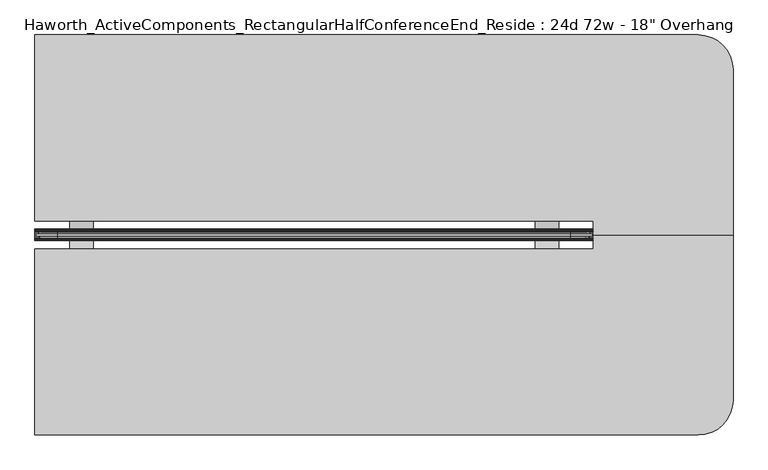
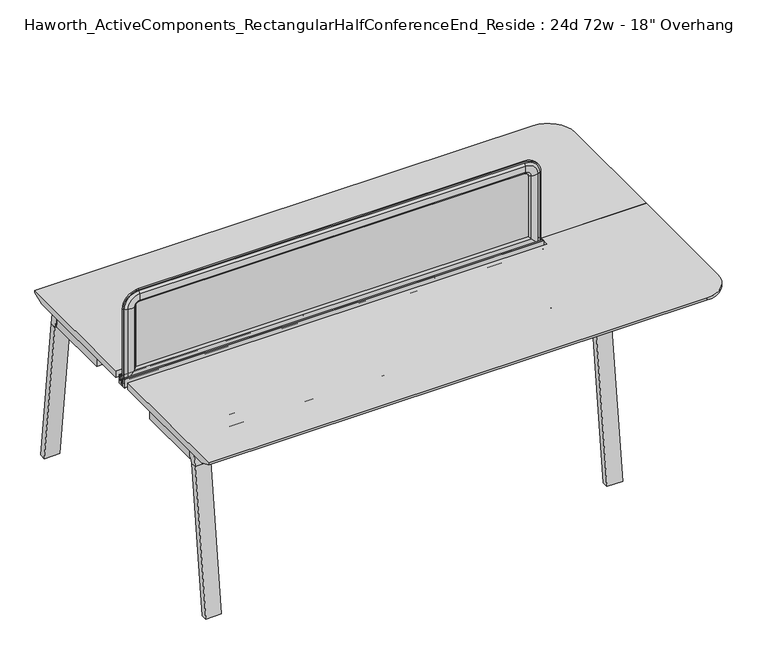
"""IFC4 building model written with IfcOpenShell, lengths in millimetres: furniture geometry."""

from ifc_helpers import new_model, si_unit, point, frame, frame_2d, origin, place, context, project, spatial, polyline, circle_curve, ellipse_curve, trimmed, segment, composite_curve, outline, extrude, source, transform, mapped, element, save
from ifc_brep_helpers import plane_surface, cylinder_surface, revolved_surface, advanced_brep


def furniture_1baf229c(model_context):
    return source(origin(), model_context, "Body", "SolidModel", [
        extrude(outline(polyline([(-102.8131637, 708.5329874), (-151.7557795, 708.5329874), (-179.9497776, 698.5000242), (-219.096734, 698.5000242), (-247.7511736, 708.5329874), (-296.6937894, 708.5329874), (-296.6937894, 711.1999758), (-247.2908229, 711.1999031), (-219.0967817, 701.1670126), (-180.4101714, 701.1670126), (-152.2161302, 711.1999031), (-102.8131637, 711.1999758), (-102.8131637, 708.5329874)])), frame((939.8, 0.0, 0.0), z_axis=(1.0, 0.0, 0.0), x_axis=(0.0, 1.0, 0.0)), (0.0, 0.0, 1.0), 76.2),
        extrude(outline(polyline([(-102.8131637, 708.5329874), (-151.7557795, 708.5329874), (-179.9497776, 698.5000242), (-219.096734, 698.5000242), (-247.7511736, 708.5329874), (-296.6937894, 708.5329874), (-296.6937894, 711.1999758), (-247.2908229, 711.1999031), (-219.0967817, 701.1670126), (-180.4101714, 701.1670126), (-152.2161302, 711.1999031), (-102.8131637, 711.1999758), (-102.8131637, 708.5329874)])), frame((-584.2, 0.0, 0.0), z_axis=(1.0, 0.0, 0.0), x_axis=(0.0, 1.0, 0.0)), (0.0, 0.0, 1.0), 76.2),
        extrude(outline(composite_curve([segment(polyline([(-208.7577768, 705.1294161), (-190.7491763, 705.1294161), (-190.7491763, 716.8133686), (-194.6734763, 716.8133686), (-194.6734763, 718.8200048), (-189.5045768, 718.8200048), (-189.5045768, 721.0551882), (-188.310777, 722.0711872), (-188.310777, 737.1334219), (-189.5045768, 738.1494209), (-189.5045768, 740.1051882), (-188.4578397, 740.9960276)]), True, "CONTINUOUS"), segment(trimmed(circle_curve(frame_2d((-188.0216309, 740.4834819)), 0.6730388), [point((-188.4578397, 740.9960276))], [point((-187.3580762, 740.5960712))], False, "CARTESIAN"), True, "CONTINUOUS"), segment(polyline([(-187.3580762, 740.5960712), (-186.2533763, 734.0854248), (-186.2533763, 721.131419), (-183.1037763, 721.131419), (-183.1037763, 725.1191843), (-182.3544761, 725.8812017), (-182.3544761, 740.3039756)]), True, "CONTINUOUS"), segment(trimmed(circle_curve(frame_2d((-181.5543762, 740.3039756)), 0.8000999), [point((-182.3544761, 740.3039756))], [point((-180.7542763, 740.3039756))], False, "CARTESIAN"), True, "CONTINUOUS"), segment(polyline([(-180.7542763, 740.3039756), (-180.7542763, 702.1830128)]), True, "CONTINUOUS"), segment(trimmed(circle_curve(frame_2d((-181.7702764, 702.1830128)), 1.0160002), [point((-180.7542763, 702.1830128))], [point((-181.7702764, 701.1670126))], False, "CARTESIAN"), True, "CONTINUOUS"), segment(polyline([(-181.7702764, 701.1670126), (-217.7366767, 701.1670126)]), True, "CONTINUOUS"), segment(trimmed(circle_curve(frame_2d((-217.7366767, 702.1830128)), 1.0160002), [point((-217.7366767, 701.1670126))], [point((-218.7526768, 702.1830128))], False, "CARTESIAN"), True, "CONTINUOUS"), segment(polyline([(-218.7526768, 702.1830128), (-218.7526768, 740.3039756)]), True, "CONTINUOUS"), segment(trimmed(circle_curve(frame_2d((-217.9525769, 740.3039756)), 0.8000999), [point((-218.7526768, 740.3039756))], [point((-217.152477, 740.3039756))], False, "CARTESIAN"), True, "CONTINUOUS"), segment(polyline([(-217.152477, 740.3039756), (-217.152477, 725.8812017), (-216.4031768, 725.1191843), (-216.4031768, 721.131419), (-213.2535769, 721.131419), (-213.2535769, 734.0854248), (-212.1488769, 740.5960712)]), True, "CONTINUOUS"), segment(trimmed(circle_curve(frame_2d((-211.4853222, 740.4834819)), 0.6730388), [point((-212.1488769, 740.5960712))], [point((-211.0491134, 740.9960276))], False, "CARTESIAN"), True, "CONTINUOUS"), segment(polyline([(-211.0491134, 740.9960276), (-210.0023763, 740.1051882), (-210.0023763, 738.1494209), (-211.1961761, 737.1334219), (-211.1961761, 722.0711872), (-210.0023763, 721.0551882), (-210.0023763, 718.8200048), (-204.8334768, 718.8200048), (-204.8334768, 716.8133686), (-208.7577768, 716.8133686), (-208.7577768, 705.1294161)]), True, "CONTINUOUS")], self_intersect=False)), frame((-698.5, 0.0, 0.0), z_axis=(1.0, 0.0, 0.0), x_axis=(0.0, 1.0, 0.0)), (0.0, 0.0, 1.0), 1828.8),
        extrude(outline(composite_curve([segment(polyline([(-743.2146375, 655.8564478), (-737.0116056, 706.4375), (-700.6097266, 706.4375), (-700.6097266, 676.1402033), (-701.8519435, 676.1402033)]), True, "CONTINUOUS"), segment(trimmed(circle_curve(frame_2d((-701.8519435, 663.4402033)), 12.7), [point((-701.8519435, 676.1402033))], [point((-714.4575067, 664.9860929))], True, "CARTESIAN"), True, "CONTINUOUS"), segment(polyline([(-714.4575067, 664.9860929), (-715.9866201, 652.5173267), (-743.2146375, 655.8564478)]), True, "CONTINUOUS")], self_intersect=False)), frame((-692.0507813, 0.0, 0.0), z_axis=(1.0, 0.0, 0.0), x_axis=(0.0, 1.0, 0.0)), (0.0, 0.0, 1.0), 67.6671875),
        extrude(outline(polyline([(-823.6459115, 0.0), (-743.2146375, 655.8564478), (-715.9866201, 652.5173267), (-796.0084097, 0.0), (-823.6459115, 0.0)])), frame((-692.0507813, 0.0, 0.0), z_axis=(1.0, 0.0, 0.0), x_axis=(0.0, 1.0, 0.0)), (0.0, 0.0, 1.0), 67.6671875),
        extrude(outline(composite_curve([segment(polyline([(-743.2146375, 655.8564478), (-737.0116056, 706.4375), (-700.6097266, 706.4375), (-700.6097266, 676.1402033), (-701.8519435, 676.1402033)]), True, "CONTINUOUS"), segment(trimmed(circle_curve(frame_2d((-701.8519435, 663.4402033)), 12.7), [point((-701.8519435, 676.1402033))], [point((-714.4575067, 664.9860929))], True, "CARTESIAN"), True, "CONTINUOUS"), segment(polyline([(-714.4575067, 664.9860929), (-715.9866201, 652.5173267), (-743.2146375, 655.8564478)]), True, "CONTINUOUS")], self_intersect=False)), frame((1056.1835937, 0.0, 0.0), z_axis=(1.0, 0.0, 0.0), x_axis=(0.0, 1.0, 0.0)), (0.0, 0.0, 1.0), 67.6671875),
        extrude(outline(polyline([(-823.6459115, 0.0), (-743.2146375, 655.8564478), (-715.9866201, 652.5173267), (-796.0084097, 0.0), (-823.6459115, 0.0)])), frame((1056.1835937, 0.0, 0.0), z_axis=(1.0, 0.0, 0.0), x_axis=(0.0, 1.0, 0.0)), (0.0, 0.0, 1.0), 67.6671875),
        extrude(outline(composite_curve([segment(polyline([(343.7076844, 655.8564478), (316.479667, 652.5173267), (314.9505536, 664.9860929)]), True, "CONTINUOUS"), segment(trimmed(circle_curve(frame_2d((302.3449903, 663.4402033)), 12.7), [point((314.9505536, 664.9860929))], [point((302.3449903, 676.1402033))], True, "CARTESIAN"), True, "CONTINUOUS"), segment(polyline([(302.3449903, 676.1402033), (301.1027734, 676.1402033), (301.1027734, 706.4375), (337.5046525, 706.4375), (343.7076844, 655.8564478)]), True, "CONTINUOUS")], self_intersect=False)), frame((-692.0507813, 0.0, 0.0), z_axis=(1.0, 0.0, 0.0), x_axis=(0.0, 1.0, 0.0)), (0.0, 0.0, 1.0), 67.6671875),
        extrude(outline(polyline([(424.1389584, 0.0), (396.5014565, 0.0), (316.479667, 652.5173267), (343.7076844, 655.8564478), (424.1389584, 0.0)])), frame((-692.0507813, 0.0, 0.0), z_axis=(1.0, 0.0, 0.0), x_axis=(0.0, 1.0, 0.0)), (0.0, 0.0, 1.0), 67.6671875),
        extrude(outline(composite_curve([segment(polyline([(343.7076844, 655.8564478), (316.479667, 652.5173267), (314.9505536, 664.9860929)]), True, "CONTINUOUS"), segment(trimmed(circle_curve(frame_2d((302.3449903, 663.4402033)), 12.7), [point((314.9505536, 664.9860929))], [point((302.3449903, 676.1402033))], True, "CARTESIAN"), True, "CONTINUOUS"), segment(polyline([(302.3449903, 676.1402033), (301.1027734, 676.1402033), (301.1027734, 706.4375), (337.5046525, 706.4375), (343.7076844, 655.8564478)]), True, "CONTINUOUS")], self_intersect=False)), frame((1056.1835937, 0.0, 0.0), z_axis=(1.0, 0.0, 0.0), x_axis=(0.0, 1.0, 0.0)), (0.0, 0.0, 1.0), 67.6671875),
        extrude(outline(polyline([(424.1389584, 0.0), (396.5014565, 0.0), (316.479667, 652.5173267), (343.7076844, 655.8564478), (424.1389584, 0.0)])), frame((1056.1835937, 0.0, 0.0), z_axis=(1.0, 0.0, 0.0), x_axis=(0.0, 1.0, 0.0)), (0.0, 0.0, 1.0), 67.6671875),
        extrude(outline(polyline([(-552.057052, 79.6809981), (-624.701052, 8.5658214), (-624.701052, 1.1605256), (-692.2109398, 1.1605256), (-692.2109398, 301.0075213), (-624.701052, 301.0075213), (-624.701052, 293.6022255), (-552.057052, 222.4870488), (-552.057052, 79.6809981)])), frame((0.0, 0.0, 665.95625), z_axis=(0.0, 0.0, 1.0), x_axis=(1.0, 0.0, 0.0)), (0.0, 0.0, 1.0), 45.24375),
        extrude(outline(polyline([(983.857052, 79.6809981), (983.857052, 222.4870488), (1056.501052, 293.6022255), (1056.501052, 301.0075213), (1124.0109398, 301.0075213), (1124.0109398, 1.1605256), (1056.501052, 1.1605256), (1056.501052, 8.5658214), (983.857052, 79.6809981)])), frame((0.0, 0.0, 665.95625), z_axis=(0.0, 0.0, 1.0), x_axis=(1.0, 0.0, 0.0)), (0.0, 0.0, 1.0), 45.24375),
        extrude(outline(composite_curve([segment(trimmed(circle_curve(frame_2d((169.3402734, 673.1634651)), 1.5875), [point((169.3402734, 671.5759651))], [point((167.7527734, 673.1634651))], False, "CARTESIAN"), True, "CONTINUOUS"), segment(polyline([(167.7527734, 673.1634651), (167.7527734, 705.040468)]), True, "CONTINUOUS"), segment(trimmed(circle_curve(frame_2d((169.3402734, 705.040468)), 1.5875), [point((167.7527734, 705.040468))], [point((169.3402734, 706.627968))], False, "CARTESIAN"), True, "CONTINUOUS"), segment(polyline([(169.3402734, 706.627968), (201.2172764, 706.627968)]), True, "CONTINUOUS"), segment(trimmed(circle_curve(frame_2d((201.2172764, 705.040468)), 1.5875), [point((201.2172764, 706.627968))], [point((202.8047764, 705.040468))], False, "CARTESIAN"), True, "CONTINUOUS"), segment(polyline([(202.8047764, 705.040468), (202.8047764, 673.1634651)]), True, "CONTINUOUS"), segment(trimmed(circle_curve(frame_2d((201.2172764, 673.1634651)), 1.5875), [point((202.8047764, 673.1634651))], [point((201.2172764, 671.5759651))], False, "CARTESIAN"), True, "CONTINUOUS"), segment(polyline([(201.2172764, 671.5759651), (169.3402734, 671.5759651)]), True, "CONTINUOUS")], self_intersect=False)), frame((-552.0569067, 0.0, 0.0), z_axis=(1.0, 0.0, 0.0), x_axis=(0.0, 1.0, 0.0)), (0.0, 0.0, 1.0), 1535.9138134),
        extrude(outline(composite_curve([segment(polyline([(132.8277734, 671.5759651), (100.9507705, 671.5759651)]), True, "CONTINUOUS"), segment(trimmed(circle_curve(frame_2d((100.9507705, 673.1634651)), 1.5875), [point((100.9507705, 671.5759651))], [point((99.3632705, 673.1634651))], False, "CARTESIAN"), True, "CONTINUOUS"), segment(polyline([(99.3632705, 673.1634651), (99.3632705, 705.040468)]), True, "CONTINUOUS"), segment(trimmed(circle_curve(frame_2d((100.9507705, 705.040468)), 1.5875), [point((99.3632705, 705.040468))], [point((100.9507705, 706.627968))], False, "CARTESIAN"), True, "CONTINUOUS"), segment(polyline([(100.9507705, 706.627968), (132.8277734, 706.627968)]), True, "CONTINUOUS"), segment(trimmed(circle_curve(frame_2d((132.8277734, 705.040468)), 1.5875), [point((132.8277734, 706.627968))], [point((134.4152734, 705.040468))], False, "CARTESIAN"), True, "CONTINUOUS"), segment(polyline([(134.4152734, 705.040468), (134.4152734, 673.1634651)]), True, "CONTINUOUS"), segment(trimmed(circle_curve(frame_2d((132.8277734, 673.1634651)), 1.5875), [point((134.4152734, 673.1634651))], [point((132.8277734, 671.5759651))], False, "CARTESIAN"), True, "CONTINUOUS")], self_intersect=False)), frame((-552.0569067, 0.0, 0.0), z_axis=(1.0, 0.0, 0.0), x_axis=(0.0, 1.0, 0.0)), (0.0, 0.0, 1.0), 1535.9138134),
        advanced_brep(
        [(1130.3, -153.7159766, 741.3625), (1130.3, -199.7534766, 741.3625), (1587.5, -199.7534766, 741.3625), (1587.5, 341.5840234, 741.3625), (1473.2, 455.8840234, 741.3625), (-698.5, 455.8840234, 741.3625), (-698.5, -153.7159766, 741.3625), (1130.3, -153.7159766, 711.2), (-698.5, -153.7159766, 711.2), (-698.5, 405.0840234, 711.2), (1473.2, 405.0840234, 711.2), (1536.7, 341.5840234, 711.2), (1536.7, -199.7534766, 711.2), (1130.3, -199.7534766, 711.2), (-698.5, 455.8840234, 731.8375), (1473.2, 455.8840234, 731.8375), (1587.5, -199.7534766, 731.8375), (1587.5, 341.5840234, 731.8375)],
        [
            (0, 1),
            (1, 2),
            (2, 3),
            (3, 4, circle_curve(frame((1473.2, 341.5840234, 741.3625), z_axis=(0.0, 0.0, 1.0), x_axis=(1.0, 0.0, 0.0)), 114.3)),
            (4, 5),
            (5, 6),
            (6, 0),
            (7, 8),
            (8, 9),
            (9, 10),
            (10, 11, circle_curve(frame((1473.2, 341.5840234, 711.2), z_axis=(0.0, 0.0, -1.0), x_axis=(0.0, 1.0, 0.0)), 63.5)),
            (11, 12),
            (12, 13),
            (13, 7),
            (6, 8),
            (7, 0),
            (5, 14),
            (14, 9),
            (4, 15),
            (15, 14),
            (2, 16),
            (16, 17),
            (17, 3),
            (17, 15, circle_curve(frame((1473.2, 341.5840234, 731.8375), z_axis=(0.0, 0.0, 1.0), x_axis=(1.0, 0.0, 0.0)), 114.3)),
            (1, 13),
            (12, 16),
            (15, 10),
            (17, 11),
        ],
        [
            plane_surface(frame((-698.5, -153.7159766, 741.3625), z_axis=(0.0, 0.0, 1.0), x_axis=(-1.0, 0.0, 0.0))),
            plane_surface(frame((-698.5, -153.7159766, 711.2), z_axis=(0.0, 0.0, -1.0), x_axis=(1.0, 0.0, 0.0))),
            plane_surface(frame((1130.3, -153.7159766, 741.3625), z_axis=(0.0, -1.0, 0.0), x_axis=(0.0, 0.0, -1.0))),
            plane_surface(frame((-698.5, -153.7159766, 741.3625), z_axis=(-1.0, 0.0, 0.0), x_axis=(0.0, 0.0, -1.0))),
            plane_surface(frame((-698.5, 455.8840234, 741.3625), z_axis=(0.0, 1.0, 0.0), x_axis=(0.0, 0.0, -1.0))),
            plane_surface(frame((1587.5, 341.5840234, 741.3625), z_axis=(1.0, 0.0, 0.0), x_axis=(0.0, 0.0, -1.0))),
            cylinder_surface(frame((1473.2, 341.5840234, 711.2), z_axis=(0.0, 0.0, 1.0), x_axis=(1.0, 0.0, 0.0)), 114.3),
            plane_surface(frame((1587.5, -199.7534766, 741.3625), z_axis=(0.0, -1.0, 0.0), x_axis=(0.0, 0.0, -1.0))),
            plane_surface(frame((1130.3, -199.7534766, 741.3625), z_axis=(-1.0, 0.0, 0.0), x_axis=(0.0, 0.0, -1.0))),
            plane_surface(frame((-698.5, 455.8840234, 731.8375), z_axis=(0.0, 0.376377046957703, -0.9264665771215921), x_axis=(1.0, 0.0, 0.0))),
            revolved_surface(polyline([(1473.2, 405.0840234, 711.2), (1473.2, 455.8840234, 731.8375)]), (1473.2, 341.5840234, 0.0), (0.0, 0.0, 1.0)),
            plane_surface(frame((1587.5, 341.5840234, 731.8375), z_axis=(0.376377046957703, 0.0, -0.9264665771215921), x_axis=(0.0, -1.0, 0.0))),
        ],
        [
            (0, [[1, 2, 3, 4, 5, 6, 7]]),
            (1, [[8, 9, 10, 11, 12, 13, 14]]),
            (2, [[15, -8, 16, -7]]),
            (3, [[17, 18, -9, -15, -6]]),
            (4, [[19, 20, -17, -5]]),
            (5, [[21, 22, 23, -3]]),
            (6, [[-23, 24, -19, -4]]),
            (7, [[25, -13, 26, -21, -2]]),
            (8, [[-16, -14, -25, -1]]),
            (9, [[-10, -18, -20, 27]]),
            (10, [[-24, 28, -11, -27]]),
            (11, [[-22, -26, -12, -28]]),
        ],
    ),
        advanced_brep(
        [(-694.5096882, -202.9284766, 1050.2564604), (-694.5096882, -196.5784766, 1050.2564604), (-694.5096882, -196.5784766, 715.4852418), (-694.5096882, -202.9284766, 715.4852418), (-678.9815318, -209.5746374, 1050.2564604), (-688.6365135, -202.9284766, 1050.2564604), (-688.6365135, -202.9284766, 721.3584165), (-678.9815318, -209.5746374, 731.0133982), (-650.0002339, -209.0412011, 1050.2564604), (-650.0002339, -209.0412011, 759.994696), (-640.207009, -202.9284766, 1050.2564604), (-640.207009, -202.9284766, 769.787921), (-640.207009, -196.5784766, 1050.2564604), (-640.207009, -196.5784766, 769.787921), (-650.0002339, -190.465752, 1050.2564604), (-650.0002339, -190.465752, 759.994696), (-678.9815318, -189.9323157, 1050.2564604), (-678.9815318, -189.9323157, 731.0133982), (-688.6365135, -196.5784766, 1050.2564604), (-688.6365135, -196.5784766, 721.3584165), (1126.3096859, -196.5784766, 715.4852418), (1126.3096859, -202.9284766, 715.4852418), (1120.4365112, -202.9284766, 721.3584165), (1110.7815295, -209.5746374, 731.0133982), (1081.8002317, -209.0412011, 759.994696), (1072.0070068, -202.9284766, 769.787921), (1072.0070068, -196.5784766, 769.787921), (1081.8002317, -190.465752, 759.994696), (1110.7815295, -189.9323157, 731.0133982), (1120.4365112, -196.5784766, 721.3584165), (1126.3096859, -196.5784766, 1050.2564604), (1126.3096859, -202.9284766, 1050.2564604), (1120.4365112, -202.9284766, 1050.2564604), (1110.7815295, -209.5746374, 1050.2564604), (1081.8002317, -209.0412011, 1050.2564604), (1072.0070068, -202.9284766, 1050.2564604), (1072.0070068, -196.5784766, 1050.2564604), (1081.8002317, -190.465752, 1050.2564604), (1110.7815295, -189.9323157, 1050.2564604), (1120.4365112, -196.5784766, 1050.2564604), (1056.1320068, -202.9284766, 1120.4341395), (1056.1320068, -196.5784766, 1120.4341395), (1056.1320068, -209.5746374, 1104.9059832), (1056.1320068, -202.9284766, 1114.5609648), (1056.1320068, -209.0412011, 1075.9246853), (1056.1320068, -202.9284766, 1066.1314604), (1056.1320068, -196.5784766, 1066.1314604), (1056.1320068, -190.465752, 1075.9246853), (1056.1320068, -189.9323157, 1104.9059832), (1056.1320068, -196.5784766, 1114.5609648), (-624.332009, -196.5784766, 1120.4341395), (-624.332009, -202.9284766, 1120.4341395), (-624.332009, -202.9284766, 1114.5609648), (-624.332009, -209.5746374, 1104.9059832), (-624.332009, -209.0412011, 1075.9246853), (-624.332009, -202.9284766, 1066.1314604), (-624.332009, -196.5784766, 1066.1314604), (-624.332009, -190.465752, 1075.9246853), (-624.332009, -189.9323157, 1104.9059832), (-624.332009, -196.5784766, 1114.5609648)],
        [
            (0, 1),
            (1, 2),
            (2, 3),
            (3, 0),
            (4, 5, circle_curve(frame((-674.7864346, -193.1443023, 1050.2564604), z_axis=(0.0, 0.0, -1.0), x_axis=(0.0, -1.0, 0.0)), 16.9574394)),
            (5, 6),
            (6, 7, ellipse_curve(frame((-674.7864346, -193.1443023, 735.2084954), z_axis=(-0.707106781186545, 0.0, 0.7071067811865499), x_axis=(0.7071067811865498, 0.0, 0.7071067811865452)), 23.9814408, 16.9574394)),
            (7, 4),
            (8, 4, circle_curve(frame((-665.4606786, -156.619453, 1050.2564604), z_axis=(0.0, 0.0, -1.0), x_axis=(0.0, -1.0, 0.0)), 54.6540486)),
            (7, 9, ellipse_curve(frame((-665.4606786, -156.619453, 744.5342514), z_axis=(-0.707106781186545, 0.0, 0.7071067811865499), x_axis=(0.7071067811865498, 0.0, 0.7071067811865452)), 77.2924967, 54.6540486)),
            (9, 8),
            (10, 8, circle_curve(frame((-656.0950958, -188.375346, 1050.2564604), z_axis=(0.0, 0.0, -1.0), x_axis=(0.0, -1.0, 0.0)), 21.5458792)),
            (9, 11, ellipse_curve(frame((-656.0950958, -188.375346, 753.8998342), z_axis=(-0.707106781186545, 0.0, 0.7071067811865499), x_axis=(0.7071067811865498, 0.0, 0.7071067811865452)), 30.4704745, 21.5458792)),
            (11, 10),
            (12, 10),
            (11, 13),
            (13, 12),
            (14, 12, circle_curve(frame((-656.0950958, -211.1316071, 1050.2564604), z_axis=(0.0, 0.0, -1.0), x_axis=(0.0, -1.0, 0.0)), 21.5458792)),
            (13, 15, ellipse_curve(frame((-656.0950958, -211.1316071, 753.8998342), z_axis=(-0.707106781186545, 0.0, 0.7071067811865499), x_axis=(0.7071067811865498, 0.0, 0.7071067811865452)), 30.4704745, 21.5458792)),
            (15, 14),
            (16, 14, circle_curve(frame((-665.4606786, -242.8875001, 1050.2564604), z_axis=(0.0, 0.0, -1.0), x_axis=(0.0, -1.0, 0.0)), 54.6540486)),
            (15, 17, ellipse_curve(frame((-665.4606786, -242.8875001, 744.5342514), z_axis=(-0.707106781186545, 0.0, 0.7071067811865499), x_axis=(0.7071067811865498, 0.0, 0.7071067811865452)), 77.2924967, 54.6540486)),
            (17, 16),
            (18, 16, circle_curve(frame((-674.7864346, -206.3626508, 1050.2564604), z_axis=(0.0, 0.0, -1.0), x_axis=(0.0, -1.0, 0.0)), 16.9574394)),
            (17, 19, ellipse_curve(frame((-674.7864346, -206.3626508, 735.2084954), z_axis=(-0.707106781186545, 0.0, 0.7071067811865499), x_axis=(0.7071067811865498, 0.0, 0.7071067811865452)), 23.9814408, 16.9574394)),
            (19, 18),
            (2, 20),
            (20, 21),
            (21, 3),
            (6, 22),
            (22, 23, ellipse_curve(frame((1106.5864323, -193.1443023, 735.2084954), z_axis=(-0.70710678118655, 0.0, -0.7071067811865451), x_axis=(-0.7071067811865449, 0.0, 0.7071067811865501)), 23.9814408, 16.9574394)),
            (23, 7),
            (23, 24, ellipse_curve(frame((1097.2606764, -156.619453, 744.5342514), z_axis=(-0.70710678118655, 0.0, -0.7071067811865451), x_axis=(-0.7071067811865449, 0.0, 0.7071067811865501)), 77.2924967, 54.6540486)),
            (24, 9),
            (24, 25, ellipse_curve(frame((1087.8950935, -188.375346, 753.8998342), z_axis=(-0.70710678118655, 0.0, -0.7071067811865451), x_axis=(-0.7071067811865449, 0.0, 0.7071067811865501)), 30.4704745, 21.5458792)),
            (25, 11),
            (25, 26),
            (26, 13),
            (26, 27, ellipse_curve(frame((1087.8950935, -211.1316071, 753.8998342), z_axis=(-0.70710678118655, 0.0, -0.7071067811865451), x_axis=(-0.7071067811865449, 0.0, 0.7071067811865501)), 30.4704745, 21.5458792)),
            (27, 15),
            (27, 28, ellipse_curve(frame((1097.2606764, -242.8875001, 744.5342514), z_axis=(-0.70710678118655, 0.0, -0.7071067811865451), x_axis=(-0.7071067811865449, 0.0, 0.7071067811865501)), 77.2924967, 54.6540486)),
            (28, 17),
            (28, 29, ellipse_curve(frame((1106.5864323, -206.3626508, 735.2084954), z_axis=(-0.70710678118655, 0.0, -0.7071067811865451), x_axis=(-0.7071067811865449, 0.0, 0.7071067811865501)), 23.9814408, 16.9574394)),
            (29, 19),
            (20, 30),
            (30, 31),
            (31, 21),
            (22, 32),
            (32, 33, circle_curve(frame((1106.5864323, -193.1443023, 1050.2564604), z_axis=(0.0, 0.0, -1.0), x_axis=(0.0, -1.0, 0.0)), 16.9574394)),
            (33, 23),
            (33, 34, circle_curve(frame((1097.2606764, -156.619453, 1050.2564604), z_axis=(0.0, 0.0, -1.0), x_axis=(0.0, -1.0, 0.0)), 54.6540486)),
            (34, 24),
            (34, 35, circle_curve(frame((1087.8950935, -188.375346, 1050.2564604), z_axis=(0.0, 0.0, -1.0), x_axis=(0.0, -1.0, 0.0)), 21.5458792)),
            (35, 25),
            (35, 36),
            (36, 26),
            (36, 37, circle_curve(frame((1087.8950935, -211.1316071, 1050.2564604), z_axis=(0.0, 0.0, -1.0), x_axis=(0.0, -1.0, 0.0)), 21.5458792)),
            (37, 27),
            (37, 38, circle_curve(frame((1097.2606764, -242.8875001, 1050.2564604), z_axis=(0.0, 0.0, -1.0), x_axis=(0.0, -1.0, 0.0)), 54.6540486)),
            (38, 28),
            (38, 39, circle_curve(frame((1106.5864323, -206.3626508, 1050.2564604), z_axis=(0.0, 0.0, -1.0), x_axis=(0.0, -1.0, 0.0)), 16.9574394)),
            (39, 29),
            (40, 31, circle_curve(frame((1056.1320068, -202.9284766, 1050.2564604), z_axis=(0.0, 1.0, 0.0), x_axis=(1.0, 0.0, 0.0)), 70.1776791)),
            (30, 41, circle_curve(frame((1056.1320068, -196.5784766, 1050.2564604), z_axis=(0.0, -1.0, 0.0), x_axis=(1.0, 0.0, 0.0)), 70.1776791)),
            (41, 40),
            (42, 33, circle_curve(frame((1056.1320068, -209.5746374, 1050.2564604), z_axis=(0.0, 1.0, 0.0), x_axis=(1.0, 0.0, 0.0)), 54.6495228)),
            (32, 43, circle_curve(frame((1056.1320068, -202.9284766, 1050.2564604), z_axis=(0.0, -1.0, 0.0), x_axis=(1.0, 0.0, 0.0)), 64.3045045)),
            (43, 42, circle_curve(frame((1056.1320068, -193.1443023, 1100.7108859), z_axis=(1.0, 0.0, 0.0), x_axis=(0.0, -1.0, 0.0)), 16.9574394)),
            (44, 34, circle_curve(frame((1056.1320068, -209.0412011, 1050.2564604), z_axis=(0.0, 1.0, 0.0), x_axis=(1.0, 0.0, 0.0)), 25.6682249)),
            (42, 44, circle_curve(frame((1056.1320068, -156.619453, 1091.38513), z_axis=(1.0, 0.0, 0.0), x_axis=(0.0, -1.0, 0.0)), 54.6540486)),
            (45, 35, circle_curve(frame((1056.1320068, -202.9284766, 1050.2564604), z_axis=(0.0, 1.0, 0.0), x_axis=(1.0, 0.0, 0.0)), 15.875)),
            (44, 45, circle_curve(frame((1056.1320068, -188.375346, 1082.0195471), z_axis=(1.0, 0.0, 0.0), x_axis=(0.0, -1.0, 0.0)), 21.5458792)),
            (46, 36, circle_curve(frame((1056.1320068, -196.5784766, 1050.2564604), z_axis=(0.0, 1.0, 0.0), x_axis=(1.0, 0.0, 0.0)), 15.875)),
            (45, 46),
            (47, 37, circle_curve(frame((1056.1320068, -190.465752, 1050.2564604), z_axis=(0.0, 1.0, 0.0), x_axis=(1.0, 0.0, 0.0)), 25.6682249)),
            (46, 47, circle_curve(frame((1056.1320068, -211.1316071, 1082.0195471), z_axis=(1.0, 0.0, 0.0), x_axis=(0.0, -1.0, 0.0)), 21.5458792)),
            (48, 38, circle_curve(frame((1056.1320068, -189.9323157, 1050.2564604), z_axis=(0.0, 1.0, 0.0), x_axis=(1.0, 0.0, 0.0)), 54.6495228)),
            (47, 48, circle_curve(frame((1056.1320068, -242.8875001, 1091.38513), z_axis=(1.0, 0.0, 0.0), x_axis=(0.0, -1.0, 0.0)), 54.6540486)),
            (49, 39, circle_curve(frame((1056.1320068, -196.5784766, 1050.2564604), z_axis=(0.0, 1.0, 0.0), x_axis=(1.0, 0.0, 0.0)), 64.3045045)),
            (48, 49, circle_curve(frame((1056.1320068, -206.3626508, 1100.7108859), z_axis=(1.0, 0.0, 0.0), x_axis=(0.0, -1.0, 0.0)), 16.9574394)),
            (41, 50),
            (50, 51),
            (51, 40),
            (43, 52),
            (52, 53, circle_curve(frame((-624.332009, -193.1443023, 1100.7108859), z_axis=(1.0, 0.0, 0.0), x_axis=(0.0, -1.0, 0.0)), 16.9574394)),
            (53, 42),
            (53, 54, circle_curve(frame((-624.332009, -156.619453, 1091.38513), z_axis=(1.0, 0.0, 0.0), x_axis=(0.0, -1.0, 0.0)), 54.6540486)),
            (54, 44),
            (54, 55, circle_curve(frame((-624.332009, -188.375346, 1082.0195471), z_axis=(1.0, 0.0, 0.0), x_axis=(0.0, -1.0, 0.0)), 21.5458792)),
            (55, 45),
            (55, 56),
            (56, 46),
            (56, 57, circle_curve(frame((-624.332009, -211.1316071, 1082.0195471), z_axis=(1.0, 0.0, 0.0), x_axis=(0.0, -1.0, 0.0)), 21.5458792)),
            (57, 47),
            (57, 58, circle_curve(frame((-624.332009, -242.8875001, 1091.38513), z_axis=(1.0, 0.0, 0.0), x_axis=(0.0, -1.0, 0.0)), 54.6540486)),
            (58, 48),
            (58, 59, circle_curve(frame((-624.332009, -206.3626508, 1100.7108859), z_axis=(1.0, 0.0, 0.0), x_axis=(0.0, -1.0, 0.0)), 16.9574394)),
            (59, 49),
            (0, 51, circle_curve(frame((-624.332009, -202.9284766, 1050.2564604), z_axis=(0.0, 1.0, 0.0), x_axis=(0.0, 0.0, 1.0)), 70.1776791)),
            (50, 1, circle_curve(frame((-624.332009, -196.5784766, 1050.2564604), z_axis=(0.0, -1.0, 0.0), x_axis=(0.0, 0.0, 1.0)), 70.1776791)),
            (5, 52, circle_curve(frame((-624.332009, -202.9284766, 1050.2564604), z_axis=(0.0, 1.0, 0.0), x_axis=(0.0, 0.0, 1.0)), 64.3045045)),
            (4, 53, circle_curve(frame((-624.332009, -209.5746374, 1050.2564604), z_axis=(0.0, 1.0, 0.0), x_axis=(0.0, 0.0, 1.0)), 54.6495228)),
            (8, 54, circle_curve(frame((-624.332009, -209.0412011, 1050.2564604), z_axis=(0.0, 1.0, 0.0), x_axis=(0.0, 0.0, 1.0)), 25.6682249)),
            (10, 55, circle_curve(frame((-624.332009, -202.9284766, 1050.2564604), z_axis=(0.0, 1.0, 0.0), x_axis=(0.0, 0.0, 1.0)), 15.875)),
            (12, 56, circle_curve(frame((-624.332009, -196.5784766, 1050.2564604), z_axis=(0.0, 1.0, 0.0), x_axis=(0.0, 0.0, 1.0)), 15.875)),
            (14, 57, circle_curve(frame((-624.332009, -190.465752, 1050.2564604), z_axis=(0.0, 1.0, 0.0), x_axis=(0.0, 0.0, 1.0)), 25.6682249)),
            (16, 58, circle_curve(frame((-624.332009, -189.9323157, 1050.2564604), z_axis=(0.0, 1.0, 0.0), x_axis=(0.0, 0.0, 1.0)), 54.6495228)),
            (18, 59, circle_curve(frame((-624.332009, -196.5784766, 1050.2564604), z_axis=(0.0, 1.0, 0.0), x_axis=(0.0, 0.0, 1.0)), 64.3045045)),
        ],
        [
            plane_surface(frame((-694.5096882, -196.5784766, 1050.2564604), z_axis=(-1.0, 0.0, 0.0), x_axis=(0.0, 0.0, -1.0))),
            cylinder_surface(frame((-674.7864346, -193.1443023, 1050.2564604), z_axis=(0.0, 0.0, 1.0), x_axis=(0.0, -1.0, 0.0)), 16.9574394),
            cylinder_surface(frame((-665.4606786, -156.619453, 1050.2564604), z_axis=(0.0, 0.0, 1.0), x_axis=(0.0, -1.0, 0.0)), 54.6540486),
            cylinder_surface(frame((-656.0950958, -188.375346, 1050.2564604), z_axis=(0.0, 0.0, 1.0), x_axis=(0.0, -1.0, 0.0)), 21.5458792),
            plane_surface(frame((-640.207009, -202.9284766, 1050.2564604), z_axis=(1.0, 0.0, 0.0), x_axis=(0.0, 0.0, -1.0))),
            cylinder_surface(frame((-656.0950958, -211.1316071, 1050.2564604), z_axis=(0.0, 0.0, 1.0), x_axis=(0.0, -1.0, 0.0)), 21.5458792),
            cylinder_surface(frame((-665.4606786, -242.8875001, 1050.2564604), z_axis=(0.0, 0.0, 1.0), x_axis=(0.0, -1.0, 0.0)), 54.6540486),
            cylinder_surface(frame((-674.7864346, -206.3626508, 1050.2564604), z_axis=(0.0, 0.0, 1.0), x_axis=(0.0, -1.0, 0.0)), 16.9574394),
            plane_surface(frame((-694.5096882, -196.5784766, 715.4852418), z_axis=(0.0, 0.0, -1.0), x_axis=(1.0, 0.0, 0.0))),
            cylinder_surface(frame((-640.207009, -193.1443023, 735.2084954), z_axis=(-1.0, 0.0, 0.0), x_axis=(0.0, -1.0, 0.0)), 16.9574394),
            cylinder_surface(frame((-640.207009, -156.619453, 744.5342514), z_axis=(-1.0, 0.0, 0.0), x_axis=(0.0, -1.0, 0.0)), 54.6540486),
            cylinder_surface(frame((-640.207009, -188.375346, 753.8998342), z_axis=(-1.0, 0.0, 0.0), x_axis=(0.0, -1.0, 0.0)), 21.5458792),
            plane_surface(frame((-640.207009, -202.9284766, 769.787921), z_axis=(0.0, 0.0, 1.0), x_axis=(1.0, 0.0, 0.0))),
            cylinder_surface(frame((-640.207009, -211.1316071, 753.8998342), z_axis=(-1.0, 0.0, 0.0), x_axis=(0.0, -1.0, 0.0)), 21.5458792),
            cylinder_surface(frame((-640.207009, -242.8875001, 744.5342514), z_axis=(-1.0, 0.0, 0.0), x_axis=(0.0, -1.0, 0.0)), 54.6540486),
            cylinder_surface(frame((-640.207009, -206.3626508, 735.2084954), z_axis=(-1.0, 0.0, 0.0), x_axis=(0.0, -1.0, 0.0)), 16.9574394),
            plane_surface(frame((1126.3096859, -196.5784766, 715.4852418), z_axis=(1.0, 0.0, 0.0), x_axis=(0.0, 0.0, 1.0))),
            cylinder_surface(frame((1106.5864323, -193.1443023, 769.787921), z_axis=(0.0, 0.0, -1.0), x_axis=(0.0, -1.0, 0.0)), 16.9574394),
            cylinder_surface(frame((1097.2606764, -156.619453, 769.787921), z_axis=(0.0, 0.0, -1.0), x_axis=(0.0, -1.0, 0.0)), 54.6540486),
            cylinder_surface(frame((1087.8950935, -188.375346, 769.787921), z_axis=(0.0, 0.0, -1.0), x_axis=(0.0, -1.0, 0.0)), 21.5458792),
            plane_surface(frame((1072.0070068, -202.9284766, 769.787921), z_axis=(-1.0, 0.0, 0.0), x_axis=(0.0, 0.0, 1.0))),
            cylinder_surface(frame((1087.8950935, -211.1316071, 769.787921), z_axis=(0.0, 0.0, -1.0), x_axis=(0.0, -1.0, 0.0)), 21.5458792),
            cylinder_surface(frame((1097.2606764, -242.8875001, 769.787921), z_axis=(0.0, 0.0, -1.0), x_axis=(0.0, -1.0, 0.0)), 54.6540486),
            cylinder_surface(frame((1106.5864323, -206.3626508, 769.787921), z_axis=(0.0, 0.0, -1.0), x_axis=(0.0, -1.0, 0.0)), 16.9574394),
            cylinder_surface(frame((1056.1320068, -202.9284766, 1050.2564604), z_axis=(0.0, -1.0, 0.0), x_axis=(1.0, 0.0, 0.0)), 70.1776791),
            revolved_surface(trimmed(ellipse_curve(frame((1106.5864323, -193.1443023, 1050.2564604), z_axis=(0.0, 0.0, -1.0), x_axis=(0.0, -1.0, 0.0)), 16.9574394, 16.9574394), [point((1120.4365112, -202.9284766, 1050.2564604))], [point((1110.7815295, -209.5746374, 1050.2564604))], True, "CARTESIAN"), (1056.1320068, -202.9284766, 1050.2564604), (0.0, -1.0, 0.0)),
            revolved_surface(trimmed(ellipse_curve(frame((1097.2606764, -156.619453, 1050.2564604), z_axis=(0.0, 0.0, -1.0), x_axis=(0.0, -1.0, 0.0)), 54.6540486, 54.6540486), [point((1110.7815295, -209.5746374, 1050.2564604))], [point((1081.8002317, -209.0412011, 1050.2564604))], True, "CARTESIAN"), (1056.1320068, -202.9284766, 1050.2564604), (0.0, -1.0, 0.0)),
            revolved_surface(trimmed(ellipse_curve(frame((1087.8950935, -188.375346, 1050.2564604), z_axis=(0.0, 0.0, -1.0), x_axis=(0.0, -1.0, 0.0)), 21.5458792, 21.5458792), [point((1081.8002317, -209.0412011, 1050.2564604))], [point((1072.0070068, -202.9284766, 1050.2564604))], True, "CARTESIAN"), (1056.1320068, -202.9284766, 1050.2564604), (0.0, -1.0, 0.0)),
            revolved_surface(polyline([(1072.0070068, -202.9284766, 1050.2564604), (1072.0070068, -196.5784766, 1050.2564604)]), (1056.1320068, -202.9284766, 1050.2564604), (0.0, -1.0, 0.0)),
            revolved_surface(trimmed(ellipse_curve(frame((1087.8950935, -211.1316071, 1050.2564604), z_axis=(0.0, 0.0, -1.0), x_axis=(0.0, -1.0, 0.0)), 21.5458792, 21.5458792), [point((1072.0070068, -196.5784766, 1050.2564604))], [point((1081.8002317, -190.465752, 1050.2564604))], True, "CARTESIAN"), (1056.1320068, -202.9284766, 1050.2564604), (0.0, -1.0, 0.0)),
            revolved_surface(trimmed(ellipse_curve(frame((1097.2606764, -242.8875001, 1050.2564604), z_axis=(0.0, 0.0, -1.0), x_axis=(0.0, -1.0, 0.0)), 54.6540486, 54.6540486), [point((1081.8002317, -190.465752, 1050.2564604))], [point((1110.7815295, -189.9323157, 1050.2564604))], True, "CARTESIAN"), (1056.1320068, -202.9284766, 1050.2564604), (0.0, -1.0, 0.0)),
            revolved_surface(trimmed(ellipse_curve(frame((1106.5864323, -206.3626508, 1050.2564604), z_axis=(0.0, 0.0, -1.0), x_axis=(0.0, -1.0, 0.0)), 16.9574394, 16.9574394), [point((1110.7815295, -189.9323157, 1050.2564604))], [point((1120.4365112, -196.5784766, 1050.2564604))], True, "CARTESIAN"), (1056.1320068, -202.9284766, 1050.2564604), (0.0, -1.0, 0.0)),
            plane_surface(frame((1056.1320068, -196.5784766, 1120.4341395), z_axis=(0.0, 0.0, 1.0), x_axis=(-1.0, 0.0, 0.0))),
            cylinder_surface(frame((1056.1320068, -193.1443023, 1100.7108859), z_axis=(1.0, 0.0, 0.0), x_axis=(0.0, -1.0, 0.0)), 16.9574394),
            cylinder_surface(frame((1056.1320068, -156.619453, 1091.38513), z_axis=(1.0, 0.0, 0.0), x_axis=(0.0, -1.0, 0.0)), 54.6540486),
            cylinder_surface(frame((1056.1320068, -188.375346, 1082.0195471), z_axis=(1.0, 0.0, 0.0), x_axis=(0.0, -1.0, 0.0)), 21.5458792),
            plane_surface(frame((1056.1320068, -202.9284766, 1066.1314604), z_axis=(0.0, 0.0, -1.0), x_axis=(-1.0, 0.0, 0.0))),
            cylinder_surface(frame((1056.1320068, -211.1316071, 1082.0195471), z_axis=(1.0, 0.0, 0.0), x_axis=(0.0, -1.0, 0.0)), 21.5458792),
            cylinder_surface(frame((1056.1320068, -242.8875001, 1091.38513), z_axis=(1.0, 0.0, 0.0), x_axis=(0.0, -1.0, 0.0)), 54.6540486),
            cylinder_surface(frame((1056.1320068, -206.3626508, 1100.7108859), z_axis=(1.0, 0.0, 0.0), x_axis=(0.0, -1.0, 0.0)), 16.9574394),
            cylinder_surface(frame((-624.332009, -202.9284766, 1050.2564604), z_axis=(0.0, -1.0, 0.0), x_axis=(0.0, 0.0, 1.0)), 70.1776791),
            plane_surface(frame((-624.332009, -202.9284766, 1050.2564604), z_axis=(0.0, -1.0, 0.0), x_axis=(0.0, 0.0, 1.0))),
            revolved_surface(trimmed(ellipse_curve(frame((-624.332009, -193.1443023, 1100.7108859), z_axis=(1.0, 0.0, 0.0), x_axis=(0.0, -1.0, 0.0)), 16.9574394, 16.9574394), [point((-624.332009, -202.9284766, 1114.5609648))], [point((-624.332009, -209.5746374, 1104.9059832))], True, "CARTESIAN"), (-624.332009, -202.9284766, 1050.2564604), (0.0, -1.0, 0.0)),
            revolved_surface(trimmed(ellipse_curve(frame((-624.332009, -156.619453, 1091.38513), z_axis=(1.0, 0.0, 0.0), x_axis=(0.0, -1.0, 0.0)), 54.6540486, 54.6540486), [point((-624.332009, -209.5746374, 1104.9059832))], [point((-624.332009, -209.0412011, 1075.9246853))], True, "CARTESIAN"), (-624.332009, -202.9284766, 1050.2564604), (0.0, -1.0, 0.0)),
            revolved_surface(trimmed(ellipse_curve(frame((-624.332009, -188.375346, 1082.0195471), z_axis=(1.0, 0.0, 0.0), x_axis=(0.0, -1.0, 0.0)), 21.5458792, 21.5458792), [point((-624.332009, -209.0412011, 1075.9246853))], [point((-624.332009, -202.9284766, 1066.1314604))], True, "CARTESIAN"), (-624.332009, -202.9284766, 1050.2564604), (0.0, -1.0, 0.0)),
            revolved_surface(polyline([(-624.332009, -202.9284766, 1066.1314604), (-624.332009, -196.5784766, 1066.1314604)]), (-624.332009, -202.9284766, 1050.2564604), (0.0, -1.0, 0.0)),
            revolved_surface(trimmed(ellipse_curve(frame((-624.332009, -211.1316071, 1082.0195471), z_axis=(1.0, 0.0, 0.0), x_axis=(0.0, -1.0, 0.0)), 21.5458792, 21.5458792), [point((-624.332009, -196.5784766, 1066.1314604))], [point((-624.332009, -190.465752, 1075.9246853))], True, "CARTESIAN"), (-624.332009, -202.9284766, 1050.2564604), (0.0, -1.0, 0.0)),
            revolved_surface(trimmed(ellipse_curve(frame((-624.332009, -242.8875001, 1091.38513), z_axis=(1.0, 0.0, 0.0), x_axis=(0.0, -1.0, 0.0)), 54.6540486, 54.6540486), [point((-624.332009, -190.465752, 1075.9246853))], [point((-624.332009, -189.9323157, 1104.9059832))], True, "CARTESIAN"), (-624.332009, -202.9284766, 1050.2564604), (0.0, -1.0, 0.0)),
            revolved_surface(trimmed(ellipse_curve(frame((-624.332009, -206.3626508, 1100.7108859), z_axis=(1.0, 0.0, 0.0), x_axis=(0.0, -1.0, 0.0)), 16.9574394, 16.9574394), [point((-624.332009, -189.9323157, 1104.9059832))], [point((-624.332009, -196.5784766, 1114.5609648))], True, "CARTESIAN"), (-624.332009, -202.9284766, 1050.2564604), (0.0, -1.0, 0.0)),
            plane_surface(frame((-624.332009, -196.5784766, 1050.2564604), z_axis=(0.0, 1.0, 0.0), x_axis=(0.0, 0.0, 1.0))),
        ],
        [
            (0, [[1, 2, 3, 4]]),
            (1, [[5, 6, 7, 8]]),
            (2, [[9, -8, 10, 11]]),
            (3, [[12, -11, 13, 14]]),
            (4, [[15, -14, 16, 17]]),
            (5, [[18, -17, 19, 20]]),
            (6, [[21, -20, 22, 23]]),
            (7, [[24, -23, 25, 26]]),
            (8, [[-3, 27, 28, 29]]),
            (9, [[-7, 30, 31, 32]]),
            (10, [[-10, -32, 33, 34]]),
            (11, [[-13, -34, 35, 36]]),
            (12, [[-16, -36, 37, 38]]),
            (13, [[-19, -38, 39, 40]]),
            (14, [[-22, -40, 41, 42]]),
            (15, [[-25, -42, 43, 44]]),
            (16, [[-28, 45, 46, 47]]),
            (17, [[-31, 48, 49, 50]]),
            (18, [[-33, -50, 51, 52]]),
            (19, [[-35, -52, 53, 54]]),
            (20, [[-37, -54, 55, 56]]),
            (21, [[-39, -56, 57, 58]]),
            (22, [[-41, -58, 59, 60]]),
            (23, [[-43, -60, 61, 62]]),
            (24, [[63, -46, 64, 65]]),
            (25, [[66, -49, 67, 68]]),
            (26, [[69, -51, -66, 70]]),
            (27, [[71, -53, -69, 72]]),
            (28, [[73, -55, -71, 74]]),
            (29, [[75, -57, -73, 76]]),
            (30, [[77, -59, -75, 78]]),
            (31, [[79, -61, -77, 80]]),
            (32, [[-65, 81, 82, 83]]),
            (33, [[-68, 84, 85, 86]]),
            (34, [[-70, -86, 87, 88]]),
            (35, [[-72, -88, 89, 90]]),
            (36, [[-74, -90, 91, 92]]),
            (37, [[-76, -92, 93, 94]]),
            (38, [[-78, -94, 95, 96]]),
            (39, [[-80, -96, 97, 98]]),
            (40, [[99, -82, 100, -1]]),
            (41, [[-63, -83, -99, -4, -29, -47], [101, -84, -67, -48, -30, -6]]),
            (42, [[102, -85, -101, -5]]),
            (43, [[103, -87, -102, -9]]),
            (44, [[104, -89, -103, -12]]),
            (45, [[105, -91, -104, -15]]),
            (46, [[106, -93, -105, -18]]),
            (47, [[107, -95, -106, -21]]),
            (48, [[108, -97, -107, -24]]),
            (49, [[-100, -81, -64, -45, -27, -2], [-79, -98, -108, -26, -44, -62]]),
        ],
    ),
        extrude(outline(composite_curve([segment(polyline([(769.787921, 1072.0070068), (1050.2564604, 1072.0070068)]), True, "CONTINUOUS"), segment(trimmed(circle_curve(frame_2d((1050.2564604, 1056.1320068)), 15.875), [point((1050.2564604, 1072.0070068))], [point((1066.1314604, 1056.1320068))], False, "CARTESIAN"), True, "CONTINUOUS"), segment(polyline([(1066.1314604, 1056.1320068), (1066.1314604, -624.332009)]), True, "CONTINUOUS"), segment(trimmed(circle_curve(frame_2d((1050.2564604, -624.332009)), 15.875), [point((1066.1314604, -624.332009))], [point((1050.2564604, -640.207009))], False, "CARTESIAN"), True, "CONTINUOUS"), segment(polyline([(1050.2564604, -640.207009), (769.787921, -640.207009), (769.787921, 1072.0070068)]), True, "CONTINUOUS")], self_intersect=False)), frame((0.0, -202.9284766, 0.0), z_axis=(0.0, 1.0, 0.0), x_axis=(0.0, 0.0, 1.0)), (0.0, 0.0, 1.0), 6.35),
        extrude(outline(polyline([(-552.057052, -479.1879512), (-552.057052, -621.9940019), (-624.701052, -693.1091786), (-624.701052, -700.5144744), (-692.2109398, -700.5144744), (-692.2109398, -400.6674787), (-624.701052, -400.6674787), (-624.701052, -408.0727745), (-552.057052, -479.1879512)])), frame((0.0, 0.0, 665.95625), z_axis=(0.0, 0.0, 1.0), x_axis=(1.0, 0.0, 0.0)), (0.0, 0.0, 1.0), 45.24375),
        extrude(outline(polyline([(983.857052, -479.1879512), (1056.501052, -408.0727745), (1056.501052, -400.6674787), (1124.0109398, -400.6674787), (1124.0109398, -700.5144744), (1056.501052, -700.5144744), (1056.501052, -693.1091786), (983.857052, -621.9940019), (983.857052, -479.1879512)])), frame((0.0, 0.0, 665.95625), z_axis=(0.0, 0.0, 1.0), x_axis=(1.0, 0.0, 0.0)), (0.0, 0.0, 1.0), 45.24375),
        extrude(outline(composite_curve([segment(polyline([(-568.8472266, 671.5759651), (-600.7242295, 671.5759651)]), True, "CONTINUOUS"), segment(trimmed(circle_curve(frame_2d((-600.7242295, 673.1634651)), 1.5875), [point((-600.7242295, 671.5759651))], [point((-602.3117295, 673.1634651))], False, "CARTESIAN"), True, "CONTINUOUS"), segment(polyline([(-602.3117295, 673.1634651), (-602.3117295, 705.040468)]), True, "CONTINUOUS"), segment(trimmed(circle_curve(frame_2d((-600.7242295, 705.040468)), 1.5875), [point((-602.3117295, 705.040468))], [point((-600.7242295, 706.627968))], False, "CARTESIAN"), True, "CONTINUOUS"), segment(polyline([(-600.7242295, 706.627968), (-568.8472266, 706.627968)]), True, "CONTINUOUS"), segment(trimmed(circle_curve(frame_2d((-568.8472266, 705.040468)), 1.5875), [point((-568.8472266, 706.627968))], [point((-567.2597266, 705.040468))], False, "CARTESIAN"), True, "CONTINUOUS"), segment(polyline([(-567.2597266, 705.040468), (-567.2597266, 673.1634651)]), True, "CONTINUOUS"), segment(trimmed(circle_curve(frame_2d((-568.8472266, 673.1634651)), 1.5875), [point((-567.2597266, 673.1634651))], [point((-568.8472266, 671.5759651))], False, "CARTESIAN"), True, "CONTINUOUS")], self_intersect=False)), frame((-552.0569067, 0.0, 0.0), z_axis=(1.0, 0.0, 0.0), x_axis=(0.0, 1.0, 0.0)), (0.0, 0.0, 1.0), 1535.9138134),
        extrude(outline(composite_curve([segment(trimmed(circle_curve(frame_2d((-532.3347266, 673.1634651)), 1.5875), [point((-532.3347266, 671.5759651))], [point((-533.9222266, 673.1634651))], False, "CARTESIAN"), True, "CONTINUOUS"), segment(polyline([(-533.9222266, 673.1634651), (-533.9222266, 705.040468)]), True, "CONTINUOUS"), segment(trimmed(circle_curve(frame_2d((-532.3347266, 705.040468)), 1.5875), [point((-533.9222266, 705.040468))], [point((-532.3347266, 706.627968))], False, "CARTESIAN"), True, "CONTINUOUS"), segment(polyline([(-532.3347266, 706.627968), (-500.4577236, 706.627968)]), True, "CONTINUOUS"), segment(trimmed(circle_curve(frame_2d((-500.4577236, 705.040468)), 1.5875), [point((-500.4577236, 706.627968))], [point((-498.8702236, 705.040468))], False, "CARTESIAN"), True, "CONTINUOUS"), segment(polyline([(-498.8702236, 705.040468), (-498.8702236, 673.1634651)]), True, "CONTINUOUS"), segment(trimmed(circle_curve(frame_2d((-500.4577236, 673.1634651)), 1.5875), [point((-498.8702236, 673.1634651))], [point((-500.4577236, 671.5759651))], False, "CARTESIAN"), True, "CONTINUOUS"), segment(polyline([(-500.4577236, 671.5759651), (-532.3347266, 671.5759651)]), True, "CONTINUOUS")], self_intersect=False)), frame((-552.0569067, 0.0, 0.0), z_axis=(1.0, 0.0, 0.0), x_axis=(0.0, 1.0, 0.0)), (0.0, 0.0, 1.0), 1535.9138134),
        advanced_brep(
        [(1130.3, -245.7909766, 741.3625), (-698.5, -245.7909766, 741.3625), (-698.5, -855.3909766, 741.3625), (1473.2, -855.3909766, 741.3625), (1587.5, -741.0909766, 741.3625), (1587.5, -199.7534766, 741.3625), (1130.3, -199.7534766, 741.3625), (1130.3, -245.7909766, 711.2), (1130.3, -199.7534766, 711.2), (1536.7, -199.7534766, 711.2), (1536.7, -741.0909766, 711.2), (1473.2, -804.5909766, 711.2), (-698.5, -804.5909766, 711.2), (-698.5, -245.7909766, 711.2), (-698.5, -855.3909766, 731.8375), (1473.2, -855.3909766, 731.8375), (1587.5, -741.0909766, 731.8375), (1587.5, -199.7534766, 731.8375)],
        [
            (0, 1),
            (1, 2),
            (2, 3),
            (3, 4, circle_curve(frame((1473.2, -741.0909766, 741.3625), z_axis=(0.0, 0.0, 1.0), x_axis=(1.0, 0.0, 0.0)), 114.3)),
            (4, 5),
            (5, 6),
            (6, 0),
            (7, 8),
            (8, 9),
            (9, 10),
            (10, 11, circle_curve(frame((1473.2, -741.0909766, 711.2), z_axis=(0.0, 0.0, -1.0), x_axis=(0.0, -1.0, 0.0)), 63.5)),
            (11, 12),
            (12, 13),
            (13, 7),
            (0, 7),
            (13, 1),
            (12, 14),
            (14, 2),
            (14, 15),
            (15, 3),
            (4, 16),
            (16, 17),
            (17, 5),
            (15, 16, circle_curve(frame((1473.2, -741.0909766, 731.8375), z_axis=(0.0, 0.0, 1.0), x_axis=(1.0, 0.0, 0.0)), 114.3)),
            (17, 9),
            (8, 6),
            (11, 15),
            (10, 16),
        ],
        [
            plane_surface(frame((-698.5, -245.7909766, 741.3625), z_axis=(0.0, 0.0, 1.0), x_axis=(-1.0, 0.0, 0.0))),
            plane_surface(frame((-698.5, -245.7909766, 711.2), z_axis=(0.0, 0.0, -1.0), x_axis=(1.0, 0.0, 0.0))),
            plane_surface(frame((1130.3, -245.7909766, 741.3625), z_axis=(0.0, 1.0, 0.0), x_axis=(0.0, 0.0, -1.0))),
            plane_surface(frame((-698.5, -245.7909766, 741.3625), z_axis=(-1.0, 0.0, 0.0), x_axis=(0.0, 0.0, -1.0))),
            plane_surface(frame((-698.5, -855.3909766, 741.3625), z_axis=(0.0, -1.0, 0.0), x_axis=(0.0, 0.0, -1.0))),
            plane_surface(frame((1587.5, -741.0909766, 741.3625), z_axis=(1.0, 0.0, 0.0), x_axis=(0.0, 0.0, -1.0))),
            cylinder_surface(frame((1473.2, -741.0909766, 711.2), z_axis=(0.0, 0.0, 1.0), x_axis=(1.0, 0.0, 0.0)), 114.3),
            plane_surface(frame((1587.5, -199.7534766, 741.3625), z_axis=(0.0, 1.0, 0.0), x_axis=(0.0, 0.0, -1.0))),
            plane_surface(frame((1130.3, -199.7534766, 741.3625), z_axis=(-1.0, 0.0, 0.0), x_axis=(0.0, 0.0, -1.0))),
            plane_surface(frame((-698.5, -855.3909766, 731.8375), z_axis=(0.0, -0.376377046957703, -0.9264665771215921), x_axis=(1.0, 0.0, 0.0))),
            revolved_surface(polyline([(1473.2, -804.5909766, 711.2), (1473.2, -855.3909766, 731.8375)]), (1473.2, -741.0909766, 0.0), (0.0, 0.0, 1.0)),
            plane_surface(frame((1587.5, -741.0909766, 731.8375), z_axis=(0.376377046957703, 0.0, -0.9264665771215921), x_axis=(0.0, 1.0, 0.0))),
        ],
        [
            (0, [[1, 2, 3, 4, 5, 6, 7]]),
            (1, [[8, 9, 10, 11, 12, 13, 14]]),
            (2, [[-1, 15, -14, 16]]),
            (3, [[-2, -16, -13, 17, 18]]),
            (4, [[-3, -18, 19, 20]]),
            (5, [[-5, 21, 22, 23]]),
            (6, [[-4, -20, 24, -21]]),
            (7, [[-6, -23, 25, -9, 26]]),
            (8, [[-7, -26, -8, -15]]),
            (9, [[27, -19, -17, -12]]),
            (10, [[-27, -11, 28, -24]]),
            (11, [[-28, -10, -25, -22]]),
        ],
    ),
    ])


if __name__ == "__main__":
    model = new_model("IFC4")
    model_context = context("Model", 3, world=origin())
    ifc_project = project(units=[si_unit("LENGTHUNIT", "METRE", prefix="MILLI")], contexts=[model_context])
    site = spatial("IfcSite", under=ifc_project)
    building = spatial("IfcBuilding", under=site)
    placement = place(None, origin())
    furniture_shape = furniture_1baf229c(model_context)
    element("IfcFurniture", 1, ObjectType="Haworth_ActiveComponents_RectangularHalfConferenceEnd_Reside : 24d 72w - 18\" Overhang", at=placement, inside=building, context=model_context, shape_type="MappedRepresentation", body=[
        mapped(furniture_shape, transform((0.0, 0.0, 0.0), x_axis=(1.0, 0.0, 0.0), y_axis=(0.0, 1.0, 0.0), z_axis=(0.0, 0.0, 1.0))),
    ])
    save(model, "model.ifc")
